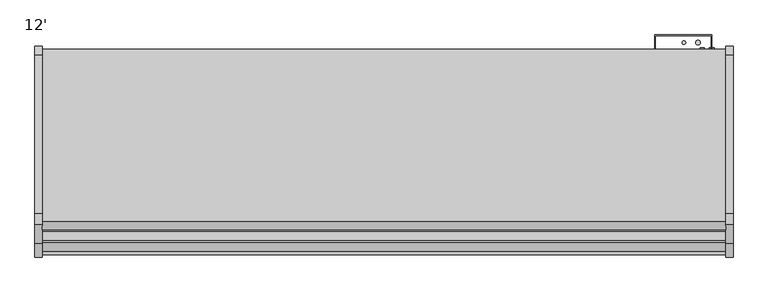
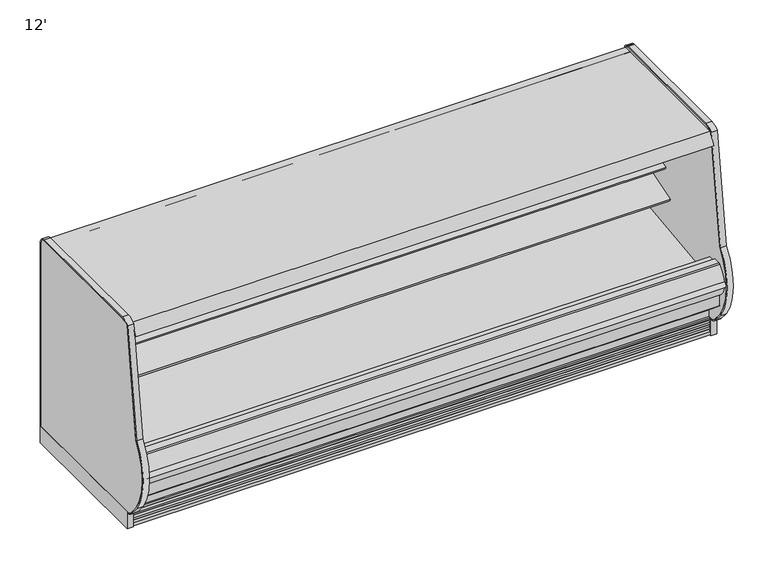
"""IFC4 building model written with IfcOpenShell, lengths in millimetres: proxy geometry, 12'."""

from ifc_helpers import new_model, si_unit, point, frame, frame_2d, origin, origin_with_axes, place, context, project, spatial, polyline, circle_curve, trimmed, segment, composite_curve, outline, extrude, source, transform, mapped, element, save
from ifc_brep_helpers import plane_surface, cylinder_surface, revolved_surface, advanced_brep


def proxy_12_fb583f07(model_context):
    return source(origin(), model_context, "Body", "SolidModel", [
        extrude(outline(polyline([(-401.5420871, 1362.075), (-401.5420871, 1282.7), (-1093.7252469, 1282.7), (-1105.8015638, 1256.802255), (-1200.4085361, 1300.9182107), (-1225.1961342, 1305.288933), (-1309.2527356, 1334.231942), (-1332.5110244, 1334.231942), (-1360.1052943, 1286.4372646), (-1366.903609, 1290.3622734), (-1325.5002469, 1362.075), (-401.5420871, 1362.075)])), frame((0.0, 0.0, 0.0), z_axis=(1.0, 0.0, 0.0), x_axis=(0.0, 1.0, 0.0)), (0.0, 0.0, 1.0), 3657.6),
        extrude(outline(composite_curve([segment(polyline([(-1096.5213314, 1282.4140888), (-1106.5849287, 1260.8326346), (-1113.060516, 1263.8522505), (-1190.7525796, 1300.0806548), (-1197.8046638, 1303.4346622)]), True, "CONTINUOUS"), segment(trimmed(circle_curve(frame_2d((-1197.4664735, 1304.145736)), 0.7874), [point((-1197.8046638, 1303.4346622))], [point((-1198.1775473, 1304.4839264))], False, "CARTESIAN"), True, "CONTINUOUS"), segment(polyline([(-1198.1775473, 1304.4839264), (-1188.316007, 1325.218649), (-1096.5213314, 1282.4140888)]), True, "CONTINUOUS")], self_intersect=False)), frame((0.0, 0.0, 0.0), z_axis=(1.0, 0.0, 0.0), x_axis=(0.0, 1.0, 0.0)), (0.0, 0.0, 1.0), 3657.6),
        extrude(outline(composite_curve([segment(trimmed(circle_curve(frame_2d((-1261.1428884, 1298.0740592)), 14.2875), [point((-1274.5687467, 1302.960672))], [point((-1247.7170301, 1293.1874464))], False, "CARTESIAN"), True, "CONTINUOUS"), segment(trimmed(circle_curve(frame_2d((-1261.1428884, 1298.0740592)), 14.2875), [point((-1247.7170301, 1293.1874464))], [point((-1274.5687467, 1302.960672))], False, "CARTESIAN"), True, "CONTINUOUS")], self_intersect=False)), frame((0.0, 0.0, 0.0), z_axis=(1.0, 0.0, 0.0), x_axis=(0.0, 1.0, 0.0)), (0.0, 0.0, 1.0), 3657.6),
        extrude(outline(composite_curve([segment(trimmed(circle_curve(frame_2d((-1296.2768679, 1310.8617819)), 14.2875), [point((-1309.7027262, 1315.7483947))], [point((-1282.8510095, 1305.9751691))], False, "CARTESIAN"), True, "CONTINUOUS"), segment(trimmed(circle_curve(frame_2d((-1296.2768679, 1310.8617819)), 14.2875), [point((-1282.8510095, 1305.9751691))], [point((-1309.7027262, 1315.7483947))], False, "CARTESIAN"), True, "CONTINUOUS")], self_intersect=False)), frame((0.0, 0.0, 0.0), z_axis=(1.0, 0.0, 0.0), x_axis=(0.0, 1.0, 0.0)), (0.0, 0.0, 1.0), 3657.6),
        advanced_brep(
        [(3657.6, -503.5101743, 931.1949857), (3657.6, -843.5721456, 827.2276075), (3657.6, -839.4134505, 813.6251286), (3657.6, -785.6425933, 830.0645294), (3657.6, -783.2129491, 827.2095892), (3657.6, -595.4964367, 859.8203852), (3657.6, -560.8622707, 856.1425043), (3657.6, -539.5668728, 847.5478657), (3657.6, -522.2225366, 846.9415182), (3657.6, -503.5101743, 852.9872079), (0.0, -503.5101743, 931.1949857), (0.0, -503.5101743, 852.9872079), (0.0, -522.2151998, 846.918903), (0.0, -539.5668728, 847.5478657), (0.0, -560.8622707, 856.1425043), (0.0, -595.4964367, 859.8203852), (0.0, -783.2129491, 827.2095892), (0.0, -785.6425933, 830.0645294), (0.0, -839.4134505, 813.6251286), (0.0, -843.5721456, 827.2276075)],
        [
            (0, 1),
            (1, 2),
            (2, 3),
            (3, 4),
            (4, 5),
            (5, 6, circle_curve(frame((3657.6, -584.627774, 797.2574396), z_axis=(-1.0, 0.0, 0.0), x_axis=(0.0, 1.0, 0.0)), 63.5)),
            (6, 7),
            (7, 8, circle_curve(frame((3657.6, -530.0606714, 871.1018916), z_axis=(1.0, 0.0, 0.0), x_axis=(0.0, 1.0, 0.0)), 25.4)),
            (8, 9),
            (9, 0),
            (10, 11),
            (11, 12),
            (12, 13, circle_curve(frame((0.0, -530.0606714, 871.1018916), z_axis=(-1.0, 0.0, 0.0), x_axis=(0.0, 1.0, 0.0)), 25.4)),
            (13, 14),
            (14, 15, circle_curve(frame((0.0, -584.627774, 797.2574396), z_axis=(1.0, 0.0, 0.0), x_axis=(0.0, 1.0, 0.0)), 63.5)),
            (15, 16),
            (16, 17),
            (17, 18),
            (18, 19),
            (19, 10),
            (0, 10),
            (19, 1),
            (2, 18),
            (17, 3),
            (8, 12),
            (11, 9),
            (16, 4),
            (15, 5),
            (14, 6),
            (13, 7),
        ],
        [
            plane_surface(frame((3657.6, -503.5101743, 931.1949857), z_axis=(1.0, 0.0, 0.0), x_axis=(0.0, -0.9563047559631227, -0.2923717047224515))),
            plane_surface(frame((0.0, -503.5101743, 931.1949857), z_axis=(-1.0, 0.0, 0.0), x_axis=(0.0, 0.9563047559631227, 0.2923717047224515))),
            plane_surface(frame((3657.6, -503.5101743, 931.1949857), z_axis=(0.0, -0.2923717047224515, 0.9563047559631227), x_axis=(-1.0, 0.0, 0.0))),
            plane_surface(frame((3657.6, -839.4134505, 813.6251286), z_axis=(0.0, 0.2923717047224507, -0.9563047559631229), x_axis=(-1.0, 0.0, 0.0))),
            plane_surface(frame((3657.6, -522.2151998, 846.918903), z_axis=(0.0, 0.3085879853198186, -0.9511958028272914), x_axis=(-1.0, 0.0, 0.0))),
            plane_surface(frame((3657.6, -503.5101743, 852.9872079), z_axis=(0.0, 1.0, 0.0), x_axis=(-1.0, 0.0, 0.0))),
            plane_surface(frame((3657.6, -843.5721456, 827.2276075), z_axis=(0.0, -0.9563047559631227, -0.29237170472245155), x_axis=(-1.0, 0.0, 0.0))),
            plane_surface(frame((3657.6, -785.6425933, 830.0645294), z_axis=(0.0, -0.761551533788134, -0.648104359949029), x_axis=(-1.0, 0.0, 0.0))),
            plane_surface(frame((3657.6, -783.2129491, 827.2095892), z_axis=(0.0, 0.1711600427683192, -0.9852432388804032), x_axis=(-1.0, 0.0, 0.0))),
            revolved_surface(polyline([(0.0, -521.127774, 797.2574396), (3657.6, -521.127774, 797.2574396)]), (0.0, -584.627774, 797.2574396), (-1.0, 0.0, 0.0)),
            plane_surface(frame((3657.6, -560.8622707, 856.1425043), z_axis=(0.0, -0.37425989519044295, -0.9273238543529648), x_axis=(-1.0, 0.0, 0.0))),
            cylinder_surface(frame((0.0, -530.0606714, 871.1018916), z_axis=(1.0, 0.0, 0.0), x_axis=(0.0, 1.0, 0.0)), 25.4),
        ],
        [
            (0, [[1, 2, 3, 4, 5, 6, 7, 8, 9, 10]]),
            (1, [[11, 12, 13, 14, 15, 16, 17, 18, 19, 20]]),
            (2, [[-1, 21, -20, 22]]),
            (3, [[-3, 23, -18, 24]]),
            (4, [[-9, 25, -12, 26]]),
            (5, [[-10, -26, -11, -21]]),
            (6, [[-2, -22, -19, -23]]),
            (7, [[-4, -24, -17, 27]]),
            (8, [[-5, -27, -16, 28]]),
            (9, [[-6, -28, -15, 29]]),
            (10, [[-7, -29, -14, 30]]),
            (11, [[-8, -30, -13, -25]]),
        ],
    ),
        advanced_brep(
        [(0.0, -401.5420871, 1362.1205827), (0.0, -401.5420871, 130.175), (0.0, -1280.80896, 130.175), (0.0, -1430.5207837, 255.8259604), (0.0, -1430.5207837, 390.4771975), (0.0, -1379.5124455, 390.4771975), (0.0, -1379.5124455, 334.3739209), (0.0, -1221.9978428, 189.2843753), (0.0, -1163.9532566, 157.108203), (0.0, -1097.1372497, 157.108203), (0.0, -1044.0253464, 195.6902403), (0.0, -599.4158608, 211.674682), (0.0, -452.3420871, 350.7638053), (0.0, -452.3420871, 1362.1205827), (3657.6, -401.5420871, 1362.1205827), (3657.6, -452.3420871, 1362.1205827), (3657.6, -452.3420871, 350.7638053), (3657.6, -599.4158608, 211.674682), (3657.6, -1044.0253464, 195.6902403), (3657.6, -1097.1372497, 157.108203), (3657.6, -1163.9532566, 157.108203), (3657.6, -1221.9978428, 189.2843753), (3657.6, -1379.5124455, 334.3739209), (3657.6, -1379.5124455, 390.4771975), (3657.6, -1430.5207837, 390.4771975), (3657.6, -1430.5207837, 255.8259604), (3657.6, -1280.80896, 130.175), (3657.6, -401.5420871, 130.175), (3556.0, -401.5420871, 417.7254285), (3556.0, -401.5420871, 316.1254285), (3556.0, -446.7209273, 316.1254285), (3556.0, -446.7209273, 417.7254285)],
        [
            (0, 1),
            (1, 2),
            (2, 3),
            (3, 4),
            (4, 5),
            (5, 6),
            (6, 7, circle_curve(frame((0.0, -1227.3166131, 341.5567466), z_axis=(1.0, 0.0, 0.0), x_axis=(0.0, 1.0, 0.0)), 152.3652335)),
            (7, 8),
            (8, 9),
            (9, 10),
            (10, 11),
            (11, 12, circle_curve(frame((0.0, -604.9275955, 364.8057873), z_axis=(1.0, 0.0, 0.0), x_axis=(0.0, 1.0, 0.0)), 153.2302667)),
            (12, 13),
            (13, 0),
            (14, 15),
            (15, 16),
            (16, 17, circle_curve(frame((3657.6, -604.9275955, 364.8057873), z_axis=(-1.0, 0.0, 0.0), x_axis=(0.0, 1.0, 0.0)), 153.2302667)),
            (17, 18),
            (18, 19),
            (19, 20),
            (20, 21),
            (21, 22, circle_curve(frame((3657.6, -1227.3166131, 341.5567466), z_axis=(-1.0, 0.0, 0.0), x_axis=(0.0, 1.0, 0.0)), 152.3652335)),
            (22, 23),
            (23, 24),
            (24, 25),
            (25, 26),
            (26, 27),
            (27, 14),
            (13, 15),
            (14, 0),
            (12, 16),
            (5, 23),
            (22, 6),
            (4, 24),
            (3, 25),
            (2, 26),
            (1, 27),
            (28, 29, circle_curve(frame((3556.0, -401.5420871, 366.9254285), z_axis=(0.0, -1.0, 0.0), x_axis=(0.0, 0.0, 1.0)), 50.8)),
            (29, 28, circle_curve(frame((3556.0, -401.5420871, 366.9254285), z_axis=(0.0, -1.0, 0.0), x_axis=(0.0, 0.0, 1.0)), 50.8)),
            (11, 17),
            (10, 18),
            (9, 19),
            (8, 20),
            (7, 21),
            (30, 31, circle_curve(frame((3556.0, -446.7209273, 366.9254285), z_axis=(0.0, 1.0, 0.0), x_axis=(0.0, 0.0, 1.0)), 50.8)),
            (31, 30, circle_curve(frame((3556.0, -446.7209273, 366.9254285), z_axis=(0.0, 1.0, 0.0), x_axis=(0.0, 0.0, 1.0)), 50.8)),
            (30, 29),
            (28, 31),
        ],
        [
            plane_surface(frame((0.0, -452.3420871, 1362.1205827), z_axis=(-1.0, 0.0, 0.0), x_axis=(0.0, 1.0, 0.0))),
            plane_surface(frame((3657.6, -452.3420871, 1362.1205827), z_axis=(1.0, 0.0, 0.0), x_axis=(0.0, -1.0, 0.0))),
            plane_surface(frame((3657.6, -401.5420871, 1362.1205827), z_axis=(0.0, 0.0, 1.0), x_axis=(-1.0, 0.0, 0.0))),
            plane_surface(frame((3657.6, -452.3420871, 1362.1205827), z_axis=(0.0, -1.0, 0.0), x_axis=(-1.0, 0.0, 0.0))),
            plane_surface(frame((3657.6, -1379.5124455, 334.3739209), z_axis=(0.0, 1.0, 0.0), x_axis=(-1.0, 0.0, 0.0))),
            plane_surface(frame((3657.6, -1379.5124455, 390.4771975), z_axis=(0.0, 0.0, 1.0), x_axis=(-1.0, 0.0, 0.0))),
            plane_surface(frame((3657.6, -1430.5207837, 390.4771975), z_axis=(0.0, -1.0, 0.0), x_axis=(-1.0, 0.0, 0.0))),
            plane_surface(frame((3657.6, -1430.5207837, 255.8259604), z_axis=(0.0, -0.642871145330384, -0.7659743406287187), x_axis=(-1.0, 0.0, 0.0))),
            plane_surface(frame((3657.6, -1280.80896, 130.175), z_axis=(0.0, 0.0, -1.0), x_axis=(-1.0, 0.0, 0.0))),
            plane_surface(frame((3657.6, -401.5420871, 130.175), z_axis=(0.0, 1.0, 0.0), x_axis=(-1.0, 0.0, 0.0))),
            revolved_surface(polyline([(0.0, -451.69732880000004, 364.8057873), (3657.6, -451.69732880000004, 364.8057873)]), (0.0, -604.9275955, 364.8057873), (-1.0, 0.0, 0.0)),
            plane_surface(frame((3657.6, -599.4158608, 211.674682), z_axis=(0.0, -0.035928431956195744, 0.9993543654666092), x_axis=(-1.0, 0.0, 0.0))),
            plane_surface(frame((3657.6, -1044.0253464, 195.6902403), z_axis=(0.0, -0.5877252382161418, 0.8090605937528904), x_axis=(-1.0, 0.0, 0.0))),
            plane_surface(frame((3657.6, -1097.1372497, 157.108203), z_axis=(0.0, 0.0, 1.0), x_axis=(-1.0, 0.0, 0.0))),
            plane_surface(frame((3657.6, -1163.9532566, 157.108203), z_axis=(0.0, 0.4848272875913493, 0.87460991373687), x_axis=(-1.0, 0.0, 0.0))),
            revolved_surface(polyline([(0.0, -1074.9513796, 341.5567466), (3657.6, -1074.9513796, 341.5567466)]), (0.0, -1227.3166131, 341.5567466), (-1.0, 0.0, 0.0)),
            plane_surface(frame((3556.0, -446.7209273, 417.7254285), z_axis=(0.0, 1.0, 0.0), x_axis=(-1.0, 0.0, 0.0))),
            revolved_surface(polyline([(3556.0, -401.5420871, 417.7254285), (3556.0, -446.7209273, 417.7254285)]), (3556.0, -446.7209273, 366.9254285), (0.0, 1.0, 0.0)),
        ],
        [
            (0, [[1, 2, 3, 4, 5, 6, 7, 8, 9, 10, 11, 12, 13, 14]]),
            (1, [[15, 16, 17, 18, 19, 20, 21, 22, 23, 24, 25, 26, 27, 28]]),
            (2, [[-14, 29, -15, 30]]),
            (3, [[-13, 31, -16, -29]]),
            (4, [[-6, 32, -23, 33]]),
            (5, [[-5, 34, -24, -32]]),
            (6, [[-4, 35, -25, -34]]),
            (7, [[-3, 36, -26, -35]]),
            (8, [[-2, 37, -27, -36]]),
            (9, [[-1, -30, -28, -37], [38, 39]]),
            (10, [[-12, 40, -17, -31]]),
            (11, [[-11, 41, -18, -40]]),
            (12, [[-10, 42, -19, -41]]),
            (13, [[-9, 43, -20, -42]]),
            (14, [[-8, 44, -21, -43]]),
            (15, [[-7, -33, -22, -44]]),
            (16, [[45, 46]]),
            (17, [[-45, 47, -38, 48]]),
            (17, [[-46, -48, -39, -47]]),
        ],
    ),
        extrude(outline(composite_curve([segment(polyline([(-503.5101744, 1108.1412699), (-503.5101744, 1029.9334921), (-520.8851964, 1024.2966684)]), True, "CONTINUOUS"), segment(trimmed(circle_curve(frame_2d((-528.7233313, 1048.4570418)), 25.4), [point((-520.8851964, 1024.2966684))], [point((-538.2295326, 1024.9030158))], False, "CARTESIAN"), True, "CONTINUOUS"), segment(polyline([(-538.2295326, 1024.9030158), (-559.5249305, 1033.4976544)]), True, "CONTINUOUS"), segment(trimmed(circle_curve(frame_2d((-583.2904338, 974.6125897)), 63.5), [point((-559.5249305, 1033.4976544))], [point((-594.1590965, 1037.1755354))], True, "CARTESIAN"), True, "CONTINUOUS"), segment(polyline([(-594.1590965, 1037.1755354), (-731.9271964, 1019.8355015), (-734.3568405, 1022.6904418), (-790.8331688, 1005.4238954), (-794.991864, 1019.0263743), (-503.5101744, 1108.1412699)]), True, "CONTINUOUS")], self_intersect=False)), frame((0.0, 0.0, 0.0), z_axis=(1.0, 0.0, 0.0), x_axis=(0.0, 1.0, 0.0)), (0.0, 0.0, 1.0), 3657.6),
        extrude(outline(composite_curve([segment(polyline([(-503.5101744, 684.5796647), (-522.2225366, 678.5089796)]), True, "CONTINUOUS"), segment(trimmed(circle_curve(frame_2d((-530.0606714, 702.669353)), 25.4), [point((-522.2225366, 678.5089796))], [point((-539.5668728, 679.1153271))], False, "CARTESIAN"), True, "CONTINUOUS"), segment(polyline([(-539.5668728, 679.1153271), (-560.8622707, 687.7099657)]), True, "CONTINUOUS"), segment(trimmed(circle_curve(frame_2d((-584.627774, 628.8249009)), 63.5), [point((-560.8622707, 687.7099657))], [point((-595.4964367, 691.3878466))], True, "CARTESIAN"), True, "CONTINUOUS"), segment(polyline([(-595.4964367, 691.3878466), (-783.2129491, 658.7770506), (-785.6425933, 661.6319908), (-887.993732, 630.3401074), (-892.1524272, 643.9425862), (-503.5101744, 762.762447), (-503.5101744, 684.5796647)]), True, "CONTINUOUS")], self_intersect=False)), frame((0.0, 0.0, 0.0), z_axis=(1.0, 0.0, 0.0), x_axis=(0.0, 1.0, 0.0)), (0.0, 0.0, 1.0), 3657.6),
        extrude(outline(composite_curve([segment(trimmed(circle_curve(frame_2d((-1481.8568934, 431.5331592)), 18.450875), [point((-1485.1962049, 413.3869809))], [point((-1484.859656, 449.7380543))], False, "CARTESIAN"), True, "CONTINUOUS"), segment(polyline([(-1484.859656, 449.7380543), (-1486.2875159, 444.2788694)]), True, "CONTINUOUS"), segment(trimmed(circle_curve(frame_2d((-1359.7644053, 433.283303)), 126.9999999), [point((-1486.2875159, 444.2788694))], [point((-1485.1962049, 413.3869809))], True, "CARTESIAN"), True, "CONTINUOUS")], self_intersect=False)), frame((0.0, 0.0, 0.0), z_axis=(1.0, 0.0, 0.0), x_axis=(0.0, 1.0, 0.0)), (0.0, 0.0, 1.0), 3657.6),
        extrude(outline(composite_curve([segment(polyline([(-1430.5207837, 390.4771975), (-1430.5207837, 349.2540688), (-1454.9909131, 349.2540688)]), True, "CONTINUOUS"), segment(trimmed(circle_curve(frame_2d((-1359.7644053, 433.283303)), 126.9999999), [point((-1454.9909131, 349.2540688))], [point((-1486.2875159, 444.2788694))], False, "CARTESIAN"), True, "CONTINUOUS"), segment(trimmed(circle_curve(frame_2d((-1312.9030759, 405.0685499)), 177.7628003), [point((-1486.2875159, 444.2788694))], [point((-1433.6857347, 535.4953973))], False, "CARTESIAN"), True, "CONTINUOUS"), segment(trimmed(circle_curve(frame_2d((-1422.8289382, 523.7717132)), 15.9785731), [point((-1433.6857347, 535.4953973))], [point((-1422.9245877, 539.75))], False, "CARTESIAN"), True, "CONTINUOUS"), segment(polyline([(-1422.9245877, 539.75), (-1377.3315877, 539.75), (-1377.3315877, 520.4426474), (-1379.5124455, 520.4426474), (-1379.5124455, 390.4771975), (-1430.5207837, 390.4771975)]), True, "CONTINUOUS")], self_intersect=False)), frame((0.0, 0.0, 0.0), z_axis=(1.0, 0.0, 0.0), x_axis=(0.0, 1.0, 0.0)), (0.0, 0.0, 1.0), 3657.6),
        extrude(outline(composite_curve([segment(polyline([(-1305.8908654, 151.2490419), (-1305.8908654, 0.0), (-1329.0357106, 0.0), (-1329.0357106, 19.9045671)]), True, "CONTINUOUS"), segment(trimmed(circle_curve(frame_2d((-1328.499887, 33.5999438)), 13.7058546), [point((-1329.0357106, 19.9045671))], [point((-1315.4179076, 29.51188))], True, "CARTESIAN"), True, "CONTINUOUS"), segment(polyline([(-1315.4179076, 29.51188), (-1311.9288106, 40.67714), (-1322.5660058, 38.5193172), (-1324.5599058, 38.5193172), (-1324.5599058, 51.2193172)]), True, "CONTINUOUS"), segment(trimmed(circle_curve(frame_2d((-1328.9777736, 64.7214645)), 14.2065314), [point((-1324.5599058, 51.2193172))], [point((-1315.4179076, 60.4840631))], True, "CARTESIAN"), True, "CONTINUOUS"), segment(polyline([(-1315.4179076, 60.4840631), (-1311.9288106, 71.6493231), (-1322.5660058, 69.4915004), (-1324.5599058, 69.4915004), (-1324.5599058, 82.1915004)]), True, "CONTINUOUS"), segment(trimmed(circle_curve(frame_2d((-1329.0501489, 95.765064)), 14.2969897), [point((-1324.5599058, 82.1915004))], [point((-1315.4179076, 91.4562462))], True, "CARTESIAN"), True, "CONTINUOUS"), segment(polyline([(-1315.4179076, 91.4562462), (-1311.9288106, 102.4950543), (-1322.5660058, 100.4638704), (-1324.5599058, 100.4638704), (-1324.5599058, 113.1638704)]), True, "CONTINUOUS"), segment(trimmed(circle_curve(frame_2d((-1323.9621412, 124.1285303)), 10.9809422), [point((-1324.5599058, 113.1638704))], [point((-1316.1764071, 116.3849243))], True, "CARTESIAN"), True, "CONTINUOUS"), segment(polyline([(-1316.1764071, 116.3849243), (-1316.1764071, 159.8796362), (-1305.8908654, 151.2490419)]), True, "CONTINUOUS")], self_intersect=False)), frame((0.0, 0.0, 0.0), z_axis=(1.0, 0.0, 0.0), x_axis=(0.0, 1.0, 0.0)), (0.0, 0.0, 1.0), 3657.6),
        extrude(outline(polyline([(688.975, -695.7909621), (688.975, -1117.5324221), (180.975, -1117.5324221), (180.975, -695.7909621), (688.975, -695.7909621)])), frame((0.0, 0.0, 68.5310382), z_axis=(0.0, 0.0, 1.0), x_axis=(1.0, 0.0, 0.0)), (0.0, 0.0, 1.0), 6.35),
        extrude(outline(polyline([(3657.6, -452.3420871), (3657.6, -503.5101744), (0.0, -503.5101744), (0.0, -452.3420871), (3657.6, -452.3420871)])), frame((0.0, 0.0, 415.8429537), z_axis=(0.0, 0.0, 1.0), x_axis=(1.0, 0.0, 0.0)), (0.0, 0.0, 1.0), 867.0899215),
        advanced_brep(
        [(0.0, -503.5101744, 418.8942432), (0.0, -452.3420871, 418.8942432), (0.0, -452.3420871, 350.7638053), (0.0, -599.4158608, 211.674682), (0.0, -1043.4743285, 195.6902403), (0.0, -1096.5862318, 157.108203), (0.0, -1163.4022387, 157.108203), (0.0, -1221.4788318, 189.3021178), (0.0, -1379.5124455, 334.3739209), (0.0, -1379.5124455, 520.4426474), (0.0, -1322.6270145, 520.4426474), (0.0, -1322.6270145, 375.3611369), (0.0, -1298.2271496, 375.3611369), (0.0, -1292.7855784, 377.3027762), (0.0, -599.3992665, 460.375), (0.0, -599.0350944, 455.1670959), (0.0, -516.4106498, 460.9447599), (0.0, -503.5101744, 473.8452354), (3657.6, -503.5101744, 418.8942432), (3657.6, -503.5101744, 473.8452354), (3657.6, -516.4106498, 460.9447599), (3657.6, -599.0350944, 455.1670959), (3657.6, -599.3992665, 460.375), (3657.6, -1292.7855784, 377.3027762), (3657.6, -1298.2271496, 375.3611369), (3657.6, -1322.6270145, 375.3611369), (3657.6, -1322.6270145, 520.4426474), (3657.6, -1379.5124455, 520.4426474), (3657.6, -1379.5124455, 334.3739209), (3657.6, -1221.4788318, 189.3021178), (3657.6, -1163.4022387, 157.108203), (3657.6, -1096.5862318, 157.108203), (3657.6, -1043.4743285, 195.6902403), (3657.6, -599.4158608, 211.674682), (3657.6, -452.3420871, 350.7638053), (3657.6, -452.3420871, 418.8942432)],
        [
            (0, 1),
            (1, 2),
            (2, 3, circle_curve(frame((0.0, -604.9275955, 364.8057873), z_axis=(-1.0, 0.0, 0.0), x_axis=(0.0, 1.0, 0.0)), 153.2302667)),
            (3, 4),
            (4, 5),
            (5, 6),
            (6, 7),
            (7, 8, circle_curve(frame((0.0, -1227.2834533, 341.5915343), z_axis=(-1.0, 0.0, 0.0), x_axis=(0.0, 1.0, 0.0)), 152.4)),
            (8, 9),
            (9, 10),
            (10, 11),
            (11, 12),
            (12, 13),
            (13, 14),
            (14, 15),
            (15, 16),
            (16, 17, circle_curve(frame((0.0, -516.4106498, 473.8452354), z_axis=(1.0, 0.0, 0.0), x_axis=(0.0, 1.0, 0.0)), 12.9004754)),
            (17, 0),
            (18, 19),
            (19, 20, circle_curve(frame((3657.6, -516.4106498, 473.8452354), z_axis=(-1.0, 0.0, 0.0), x_axis=(0.0, 1.0, 0.0)), 12.9004754)),
            (20, 21),
            (21, 22),
            (22, 23),
            (23, 24),
            (24, 25),
            (25, 26),
            (26, 27),
            (27, 28),
            (28, 29, circle_curve(frame((3657.6, -1227.2834533, 341.5915343), z_axis=(1.0, 0.0, 0.0), x_axis=(0.0, 1.0, 0.0)), 152.4)),
            (29, 30),
            (30, 31),
            (31, 32),
            (32, 33),
            (33, 34, circle_curve(frame((3657.6, -604.9275955, 364.8057873), z_axis=(1.0, 0.0, 0.0), x_axis=(0.0, 1.0, 0.0)), 153.2302667)),
            (34, 35),
            (35, 18),
            (34, 2),
            (1, 35),
            (0, 18),
            (17, 19),
            (16, 20),
            (15, 21),
            (14, 22),
            (29, 7),
            (6, 30),
            (5, 31),
            (4, 32),
            (3, 33),
            (13, 23),
            (12, 24),
            (11, 25),
            (10, 26),
            (9, 27),
            (8, 28),
        ],
        [
            plane_surface(frame((0.0, -503.5101744, 473.8452354), z_axis=(-1.0, 0.0, 0.0), x_axis=(0.0, 0.0, -1.0))),
            plane_surface(frame((3657.6, -503.5101744, 473.8452354), z_axis=(1.0, 0.0, 0.0), x_axis=(0.0, 0.0, 1.0))),
            plane_surface(frame((3657.6, -452.3420871, 350.7638053), z_axis=(0.0, 1.0, 0.0), x_axis=(-1.0, 0.0, 0.0))),
            plane_surface(frame((3657.6, -452.3420871, 418.8942432), z_axis=(0.0, 0.0, 1.0), x_axis=(-1.0, 0.0, 0.0))),
            plane_surface(frame((3657.6, -503.5101744, 418.8942432), z_axis=(0.0, 1.0, 0.0), x_axis=(-1.0, 0.0, 0.0))),
            revolved_surface(polyline([(0.0, -503.5101744, 473.8452354), (3657.6, -503.5101744, 473.8452354)]), (0.0, -516.4106498, 473.8452354), (-1.0, 0.0, 0.0)),
            plane_surface(frame((3657.6, -516.4106498, 460.9447599), z_axis=(0.0, -0.06975647369737534, 0.9975640502630934), x_axis=(-1.0, 0.0, 0.0))),
            plane_surface(frame((3657.6, -599.0350944, 455.1670959), z_axis=(0.0, 0.9975640502630916, 0.06975647369740078), x_axis=(-1.0, 0.0, 0.0))),
            plane_surface(frame((3657.6, -1221.4788318, 189.3021178), z_axis=(0.0, -0.48482728759135, -0.8746099137368696), x_axis=(-1.0, 0.0, 0.0))),
            plane_surface(frame((3657.6, -1163.4022387, 157.108203), z_axis=(0.0, 0.0, -1.0), x_axis=(-1.0, 0.0, 0.0))),
            plane_surface(frame((3657.6, -1096.5862318, 157.108203), z_axis=(0.0, 0.5877252382161428, -0.8090605937528897), x_axis=(-1.0, 0.0, 0.0))),
            plane_surface(frame((3657.6, -1043.4743285, 195.6902403), z_axis=(0.0, 0.0359729567363374, -0.9993527637344312), x_axis=(-1.0, 0.0, 0.0))),
            cylinder_surface(frame((0.0, -604.9275955, 364.8057873), z_axis=(1.0, 0.0, 0.0), x_axis=(0.0, 1.0, 0.0)), 153.2302667),
            plane_surface(frame((3657.6, -599.3992665, 460.375), z_axis=(0.0, -0.11895587145051076, 0.9928995420723336), x_axis=(-1.0, 0.0, 0.0))),
            plane_surface(frame((3657.6, -1292.7855784, 377.3027762), z_axis=(0.0, -0.3360633076512325, 0.9418393988629448), x_axis=(-1.0, 0.0, 0.0))),
            plane_surface(frame((3657.6, -1298.2271496, 375.3611369), z_axis=(0.0, 0.0, 1.0), x_axis=(-1.0, 0.0, 0.0))),
            plane_surface(frame((3657.6, -1322.6270145, 375.3611369), z_axis=(0.0, 1.0, 0.0), x_axis=(-1.0, 0.0, 0.0))),
            plane_surface(frame((3657.6, -1322.6270145, 520.4426474), z_axis=(0.0, 0.0, 1.0), x_axis=(-1.0, 0.0, 0.0))),
            plane_surface(frame((3657.6, -1379.5124455, 520.4426474), z_axis=(0.0, -1.0, 0.0), x_axis=(-1.0, 0.0, 0.0))),
            cylinder_surface(frame((0.0, -1227.2834533, 341.5915343), z_axis=(1.0, 0.0, 0.0), x_axis=(0.0, 1.0, 0.0)), 152.4),
        ],
        [
            (0, [[1, 2, 3, 4, 5, 6, 7, 8, 9, 10, 11, 12, 13, 14, 15, 16, 17, 18]]),
            (1, [[19, 20, 21, 22, 23, 24, 25, 26, 27, 28, 29, 30, 31, 32, 33, 34, 35, 36]]),
            (2, [[-35, 37, -2, 38]]),
            (3, [[-36, -38, -1, 39]]),
            (4, [[-19, -39, -18, 40]]),
            (5, [[-20, -40, -17, 41]]),
            (6, [[-21, -41, -16, 42]]),
            (7, [[-22, -42, -15, 43]]),
            (8, [[-30, 44, -7, 45]]),
            (9, [[-31, -45, -6, 46]]),
            (10, [[-32, -46, -5, 47]]),
            (11, [[-33, -47, -4, 48]]),
            (12, [[-34, -48, -3, -37]]),
            (13, [[-23, -43, -14, 49]]),
            (14, [[-24, -49, -13, 50]]),
            (15, [[-25, -50, -12, 51]]),
            (16, [[-26, -51, -11, 52]]),
            (17, [[-27, -52, -10, 53]]),
            (18, [[-28, -53, -9, 54]]),
            (19, [[-29, -54, -8, -44]]),
        ],
    ),
        extrude(outline(polyline([(-401.5420871, 130.175), (-401.5420871, 0.0), (-446.7540871, 0.0), (-446.7540871, 74.8810382), (-1160.5475206, 74.8810382), (-1160.5475206, 0.0), (-1207.4658654, 0.0), (-1207.4658654, 130.175), (-401.5420871, 130.175)])), frame((0.0, 0.0, 0.0), z_axis=(1.0, 0.0, 0.0), x_axis=(0.0, 1.0, 0.0)), (0.0, 0.0, 1.0), 3657.6),
        extrude(outline(composite_curve([segment(trimmed(circle_curve(frame_2d((3412.7400636, -1128.6170871)), 9.525), [point((3403.2150636, -1128.6170871))], [point((3422.2650636, -1128.6170871))], False, "CARTESIAN"), True, "CONTINUOUS"), segment(trimmed(circle_curve(frame_2d((3412.7400636, -1128.6170871)), 9.525), [point((3422.2650636, -1128.6170871))], [point((3403.2150636, -1128.6170871))], False, "CARTESIAN"), True, "CONTINUOUS")], self_intersect=False)), frame((0.0, 0.0, 68.5310382), z_axis=(0.0, 0.0, 1.0), x_axis=(1.0, 0.0, 0.0)), (0.0, 0.0, 1.0), 52.7807458),
        extrude(outline(composite_curve([segment(trimmed(circle_curve(frame_2d((3456.2110784, -1128.6170871)), 12.7), [point((3443.5110784, -1128.6170871))], [point((3468.9110784, -1128.6170871))], False, "CARTESIAN"), True, "CONTINUOUS"), segment(trimmed(circle_curve(frame_2d((3456.2110784, -1128.6170871)), 12.7), [point((3468.9110784, -1128.6170871))], [point((3443.5110784, -1128.6170871))], False, "CARTESIAN"), True, "CONTINUOUS")], self_intersect=False)), frame((0.0, 0.0, 68.5310382), z_axis=(0.0, 0.0, 1.0), x_axis=(1.0, 0.0, 0.0)), (0.0, 0.0, 1.0), 52.7807458),
        extrude(outline(polyline([(0.0, -385.6670871), (0.0, -1335.5812273), (-38.1, -1335.5812273), (-38.1, -385.6670871), (0.0, -385.6670871)])), origin_with_axes(), (0.0, 0.0, 1.0), 114.3),
        extrude(outline(polyline([(3695.7, -385.6670871), (3695.7, -1335.5812273), (3657.6, -1335.5812273), (3657.6, -385.6670871), (3695.7, -385.6670871)])), origin_with_axes(), (0.0, 0.0, 1.0), 114.3),
        extrude(outline(polyline([(3578.225, -401.5420871), (3578.225, -328.5170871), (3279.775, -328.5170871), (3279.775, -401.5420871), (3276.6, -401.5420871), (3276.6, -325.3420871), (3581.4, -325.3420871), (3581.4, -401.5420871), (3578.225, -401.5420871)])), frame((0.0, 0.0, 509.3917508), z_axis=(0.0, 0.0, 1.0), x_axis=(1.0, 0.0, 0.0)), (0.0, 0.0, 1.0), 744.968275),
        extrude(outline(composite_curve([segment(trimmed(circle_curve(frame_2d((3432.175, -366.6170871)), 9.525), [point((3422.65, -366.6170871))], [point((3441.7, -366.6170871))], False, "CARTESIAN"), True, "CONTINUOUS"), segment(trimmed(circle_curve(frame_2d((3432.175, -366.6170871)), 9.525), [point((3441.7, -366.6170871))], [point((3422.65, -366.6170871))], False, "CARTESIAN"), True, "CONTINUOUS")], self_intersect=False)), frame((0.0, 0.0, 938.4284214), z_axis=(0.0, 0.0, 1.0), x_axis=(1.0, 0.0, 0.0)), (0.0, 0.0, 1.0), 359.2448082),
        extrude(outline(composite_curve([segment(trimmed(circle_curve(frame_2d((3508.375, -366.6170871)), 12.7), [point((3495.675, -366.6170871))], [point((3521.075, -366.6170871))], False, "CARTESIAN"), True, "CONTINUOUS"), segment(trimmed(circle_curve(frame_2d((3508.375, -366.6170871)), 12.7), [point((3521.075, -366.6170871))], [point((3495.675, -366.6170871))], False, "CARTESIAN"), True, "CONTINUOUS")], self_intersect=False)), frame((0.0, 0.0, 938.4284214), z_axis=(0.0, 0.0, 1.0), x_axis=(1.0, 0.0, 0.0)), (0.0, 0.0, 1.0), 359.2448082),
        extrude(outline(composite_curve([segment(trimmed(circle_curve(frame_2d((368.3, 3581.4)), 12.7), [point((368.3, 3594.1))], [point((368.3, 3568.7))], False, "CARTESIAN"), True, "CONTINUOUS"), segment(trimmed(circle_curve(frame_2d((368.3, 3581.4)), 12.7), [point((368.3, 3568.7))], [point((368.3, 3594.1))], False, "CARTESIAN"), True, "CONTINUOUS")], self_intersect=False)), frame((0.0, -446.7209273, 0.0), z_axis=(0.0, 1.0, 0.0), x_axis=(0.0, 0.0, 1.0)), (0.0, 0.0, 1.0), 52.8518438),
        extrude(outline(composite_curve([segment(trimmed(circle_curve(frame_2d((368.3, 3530.6)), 9.525), [point((368.3, 3540.125))], [point((368.3, 3521.075))], False, "CARTESIAN"), True, "CONTINUOUS"), segment(trimmed(circle_curve(frame_2d((368.3, 3530.6)), 9.525), [point((368.3, 3521.075))], [point((368.3, 3540.125))], False, "CARTESIAN"), True, "CONTINUOUS")], self_intersect=False)), frame((0.0, -446.7209273, 0.0), z_axis=(0.0, 1.0, 0.0), x_axis=(0.0, 0.0, 1.0)), (0.0, 0.0, 1.0), 52.8518438),
        extrude(outline(composite_curve([segment(polyline([(-430.1170871, 1378.8090936), (-1282.8934349, 1378.8090936)]), True, "CONTINUOUS"), segment(trimmed(circle_curve(frame_2d((-1282.8934349, 1287.3388389)), 91.4702547), [point((-1282.8934349, 1378.8090936))], [point((-1335.5669414, 1362.1205827))], True, "CARTESIAN"), True, "CONTINUOUS"), segment(polyline([(-1335.5669414, 1362.1205827), (-1431.1766668, 653.7197399)]), True, "CONTINUOUS"), segment(trimmed(circle_curve(frame_2d((-1112.605612, 425.0931659)), 392.1194045), [point((-1431.1766668, 653.7197399))], [point((-1431.1766668, 196.4665918))], True, "CARTESIAN"), True, "CONTINUOUS"), segment(polyline([(-1431.1766668, 196.4665918), (-1379.3606672, 134.7146881)]), True, "CONTINUOUS"), segment(trimmed(circle_curve(frame_2d((-1335.5812273, 171.45)), 57.15), [point((-1379.3606672, 134.7146881))], [point((-1335.5812273, 114.3))], True, "CARTESIAN"), True, "CONTINUOUS"), segment(polyline([(-1335.5812273, 114.3), (-1335.5812273, 107.95)]), True, "CONTINUOUS"), segment(trimmed(circle_curve(frame_2d((-1335.5812273, 171.45)), 63.5), [point((-1335.5812273, 107.95))], [point((-1384.2250494, 130.6329868))], False, "CARTESIAN"), True, "CONTINUOUS"), segment(polyline([(-1384.2250494, 130.6329868), (-1439.9327665, 197.0228587)]), True, "CONTINUOUS"), segment(trimmed(circle_curve(frame_2d((-1122.8082954, 424.6112734)), 390.3388485), [point((-1439.9327665, 197.0228587))], [point((-1439.9327665, 652.1996881))], False, "CARTESIAN"), True, "CONTINUOUS"), segment(polyline([(-1439.9327665, 652.1996881), (-1341.8640142, 1364.0269689)]), True, "CONTINUOUS"), segment(trimmed(circle_curve(frame_2d((-1280.3823159, 1287.9427853)), 97.8202547), [point((-1341.8640142, 1364.0269689))], [point((-1280.3823159, 1385.76304))], False, "CARTESIAN"), True, "CONTINUOUS"), segment(polyline([(-1280.3823159, 1385.76304), (-430.1170871, 1385.76304)]), True, "CONTINUOUS"), segment(trimmed(circle_curve(frame_2d((-430.1170871, 1341.31304)), 44.45), [point((-430.1170871, 1385.76304))], [point((-385.6670871, 1341.31304))], False, "CARTESIAN"), True, "CONTINUOUS"), segment(polyline([(-385.6670871, 1341.31304), (-385.6670871, 114.3), (-392.0170871, 114.3), (-392.0170871, 1340.7090936)]), True, "CONTINUOUS"), segment(trimmed(circle_curve(frame_2d((-430.1170871, 1340.7090936)), 38.1), [point((-392.0170871, 1340.7090936))], [point((-430.1170871, 1378.8090936))], True, "CARTESIAN"), True, "CONTINUOUS")], self_intersect=False)), frame((-38.1, 0.0, 0.0), z_axis=(1.0, 0.0, 0.0), x_axis=(0.0, 1.0, 0.0)), (0.0, 0.0, 1.0), 38.1),
        extrude(outline(composite_curve([segment(trimmed(circle_curve(frame_2d((-1335.5812273, 171.45)), 57.15), [point((-1335.5812273, 114.3))], [point((-1379.3606672, 134.7146881))], False, "CARTESIAN"), True, "CONTINUOUS"), segment(polyline([(-1379.3606672, 134.7146881), (-1431.1766668, 196.4665918)]), True, "CONTINUOUS"), segment(trimmed(circle_curve(frame_2d((-1112.605612, 425.0931659)), 392.1194045), [point((-1431.1766668, 196.4665918))], [point((-1431.1766668, 653.7197399))], False, "CARTESIAN"), True, "CONTINUOUS"), segment(polyline([(-1431.1766668, 653.7197399), (-1335.5669414, 1362.1205827)]), True, "CONTINUOUS"), segment(trimmed(circle_curve(frame_2d((-1282.8934349, 1287.3388389)), 91.4702547), [point((-1335.5669414, 1362.1205827))], [point((-1282.8934349, 1378.8090936))], False, "CARTESIAN"), True, "CONTINUOUS"), segment(polyline([(-1282.8934349, 1378.8090936), (-430.1170871, 1378.8090936)]), True, "CONTINUOUS"), segment(trimmed(circle_curve(frame_2d((-430.1170871, 1340.7090936)), 38.1), [point((-430.1170871, 1378.8090936))], [point((-392.0170871, 1340.7090936))], False, "CARTESIAN"), True, "CONTINUOUS"), segment(polyline([(-392.0170871, 1340.7090936), (-392.0170871, 114.3), (-1335.5812273, 114.3)]), True, "CONTINUOUS")], self_intersect=False)), frame((-38.1, 0.0, 0.0), z_axis=(1.0, 0.0, 0.0), x_axis=(0.0, 1.0, 0.0)), (0.0, 0.0, 1.0), 38.1),
        extrude(outline(composite_curve([segment(polyline([(-392.0170871, 114.3), (-392.0170871, 1340.7090936)]), True, "CONTINUOUS"), segment(trimmed(circle_curve(frame_2d((-430.1170871, 1340.7090936)), 38.1), [point((-392.0170871, 1340.7090936))], [point((-430.1170871, 1378.8090936))], True, "CARTESIAN"), True, "CONTINUOUS"), segment(polyline([(-430.1170871, 1378.8090936), (-1282.8934349, 1378.8090936)]), True, "CONTINUOUS"), segment(trimmed(circle_curve(frame_2d((-1282.8934349, 1287.3388389)), 91.4702547), [point((-1282.8934349, 1378.8090936))], [point((-1335.5669414, 1362.1205827))], True, "CARTESIAN"), True, "CONTINUOUS"), segment(polyline([(-1335.5669414, 1362.1205827), (-1431.1766668, 653.7197399)]), True, "CONTINUOUS"), segment(trimmed(circle_curve(frame_2d((-1112.605612, 425.0931659)), 392.1194045), [point((-1431.1766668, 653.7197399))], [point((-1431.1766668, 196.4665918))], True, "CARTESIAN"), True, "CONTINUOUS"), segment(polyline([(-1431.1766668, 196.4665918), (-1379.3606672, 134.7146881)]), True, "CONTINUOUS"), segment(trimmed(circle_curve(frame_2d((-1335.5812273, 171.45)), 57.15), [point((-1379.3606672, 134.7146881))], [point((-1335.5812273, 114.3))], True, "CARTESIAN"), True, "CONTINUOUS"), segment(polyline([(-1335.5812273, 114.3), (-1335.5812273, 107.95)]), True, "CONTINUOUS"), segment(trimmed(circle_curve(frame_2d((-1335.5812273, 171.45)), 63.5), [point((-1335.5812273, 107.95))], [point((-1384.2250494, 130.6329868))], False, "CARTESIAN"), True, "CONTINUOUS"), segment(polyline([(-1384.2250494, 130.6329868), (-1439.9327665, 197.0228587)]), True, "CONTINUOUS"), segment(trimmed(circle_curve(frame_2d((-1122.8082954, 424.6112734)), 390.3388485), [point((-1439.9327665, 197.0228587))], [point((-1439.9327665, 652.1996881))], False, "CARTESIAN"), True, "CONTINUOUS"), segment(polyline([(-1439.9327665, 652.1996881), (-1341.8640142, 1364.0269689)]), True, "CONTINUOUS"), segment(trimmed(circle_curve(frame_2d((-1280.3823159, 1287.9427853)), 97.8202547), [point((-1341.8640142, 1364.0269689))], [point((-1280.3823159, 1385.76304))], False, "CARTESIAN"), True, "CONTINUOUS"), segment(polyline([(-1280.3823159, 1385.76304), (-430.1170871, 1385.76304)]), True, "CONTINUOUS"), segment(trimmed(circle_curve(frame_2d((-430.1170871, 1341.31304)), 44.45), [point((-430.1170871, 1385.76304))], [point((-385.6670871, 1341.31304))], False, "CARTESIAN"), True, "CONTINUOUS"), segment(polyline([(-385.6670871, 1341.31304), (-385.6670871, 114.3), (-392.0170871, 114.3)]), True, "CONTINUOUS")], self_intersect=False)), frame((3657.6, 0.0, 0.0), z_axis=(1.0, 0.0, 0.0), x_axis=(0.0, 1.0, 0.0)), (0.0, 0.0, 1.0), 38.1),
        extrude(outline(composite_curve([segment(trimmed(circle_curve(frame_2d((-1335.5812273, 171.45)), 57.15), [point((-1335.5812273, 114.3))], [point((-1379.3606672, 134.7146881))], False, "CARTESIAN"), True, "CONTINUOUS"), segment(polyline([(-1379.3606672, 134.7146881), (-1431.1766668, 196.4665918)]), True, "CONTINUOUS"), segment(trimmed(circle_curve(frame_2d((-1112.605612, 425.0931659)), 392.1194045), [point((-1431.1766668, 196.4665918))], [point((-1431.1766668, 653.7197399))], False, "CARTESIAN"), True, "CONTINUOUS"), segment(polyline([(-1431.1766668, 653.7197399), (-1335.5669414, 1362.1205827)]), True, "CONTINUOUS"), segment(trimmed(circle_curve(frame_2d((-1282.8934349, 1287.3388389)), 91.4702547), [point((-1335.5669414, 1362.1205827))], [point((-1282.8934349, 1378.8090936))], False, "CARTESIAN"), True, "CONTINUOUS"), segment(polyline([(-1282.8934349, 1378.8090936), (-430.1170871, 1378.8090936)]), True, "CONTINUOUS"), segment(trimmed(circle_curve(frame_2d((-430.1170871, 1340.7090936)), 38.1), [point((-430.1170871, 1378.8090936))], [point((-392.0170871, 1340.7090936))], False, "CARTESIAN"), True, "CONTINUOUS"), segment(polyline([(-392.0170871, 1340.7090936), (-392.0170871, 114.3), (-1335.5812273, 114.3)]), True, "CONTINUOUS")], self_intersect=False)), frame((3657.6, 0.0, 0.0), z_axis=(1.0, 0.0, 0.0), x_axis=(0.0, 1.0, 0.0)), (0.0, 0.0, 1.0), 38.1),
    ])


if __name__ == "__main__":
    model = new_model("IFC4")
    model_context = context("Model", 3, world=origin())
    ifc_project = project(units=[si_unit("LENGTHUNIT", "METRE", prefix="MILLI")], contexts=[model_context])
    site = spatial("IfcSite", under=ifc_project)
    building = spatial("IfcBuilding", under=site)
    placement = place(None, origin())
    proxy_12_shape = proxy_12_fb583f07(model_context)
    element("IfcBuildingElementProxy", 1, Name="12'", ObjectType="12'", at=placement, inside=building, context=model_context, shape_type="MappedRepresentation", body=[
        mapped(proxy_12_shape, transform((0.0, 0.0, 0.0), x_axis=(1.0, 0.0, 0.0), y_axis=(0.0, 1.0, 0.0), z_axis=(0.0, 0.0, 1.0))),
    ])
    save(model, "model.ifc")
